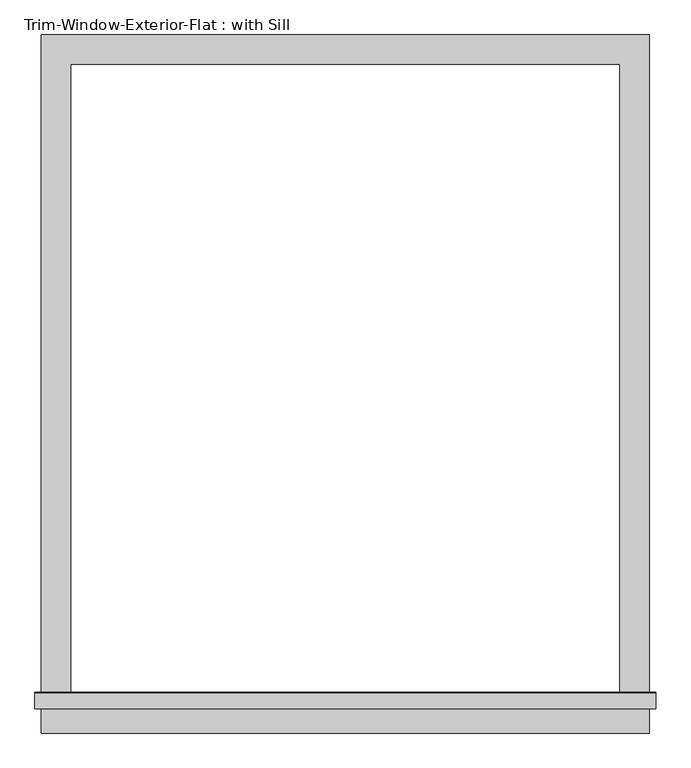
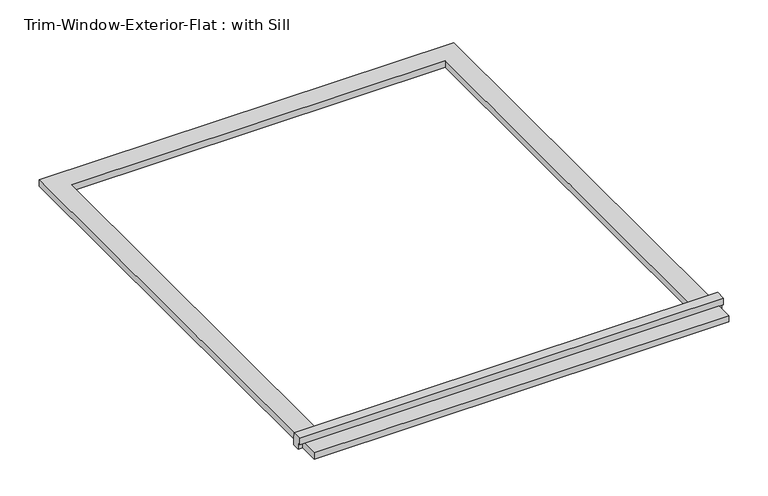
"""IFC4 building model written with IfcOpenShell, lengths in millimetres: proxy geometry, Trim-Window-Exterior-Flat : with Sill."""

from ifc_helpers import new_model, si_unit, frame, origin, origin_with_axes, place, context, project, spatial, polyline, outline, extrude, source, transform, mapped, element, save


def trim_window_exterior_flat_with_sill_245f2bb1(model_context):
    return source(origin(), model_context, "Body", "SweptSolid", [
        extrude(outline(polyline([(590.55, -1241.3823709), (590.55, -1298.5323709), (-590.55, -1298.5323709), (-590.55, -1241.3823709), (590.55, -1241.3823709)])), origin_with_axes(), (0.0, 0.0, 1.0), 19.05),
        extrude(outline(polyline([(-1250.95, 38.1), (-1221.6580645, 38.1), (-1219.2, 19.05), (-1219.2, 0.0), (-1241.3823709, 0.0), (-1241.3823709, 19.05), (-1250.95, 19.05), (-1250.95, 38.1)])), frame((-603.25, 0.0, 0.0), z_axis=(1.0, 0.0, 0.0), x_axis=(0.0, 1.0, 0.0)), (0.0, 0.0, 1.0), 1206.5),
        extrude(outline(polyline([(-590.55, 57.15), (590.55, 57.15), (590.55, -1219.2), (533.4, -1219.2), (533.4, 0.0), (-533.4, 0.0), (-533.4, -1219.2), (-590.55, -1219.2), (-590.55, 57.15)])), origin_with_axes(), (0.0, 0.0, 1.0), 19.05),
    ])


if __name__ == "__main__":
    model = new_model("IFC4")
    model_context = context("Model", 3, world=origin())
    ifc_project = project(units=[si_unit("LENGTHUNIT", "METRE", prefix="MILLI")], contexts=[model_context])
    site = spatial("IfcSite", under=ifc_project)
    building = spatial("IfcBuilding", under=site)
    placement = place(None, origin())
    trim_window_exterior_flat_with_sill_shape = trim_window_exterior_flat_with_sill_245f2bb1(model_context)
    element("IfcBuildingElementProxy", 1, Name="Trim-Window-Exterior-Flat : with Sill", ObjectType="Trim-Window-Exterior-Flat : with Sill", at=placement, inside=building, context=model_context, shape_type="MappedRepresentation", body=[
        mapped(trim_window_exterior_flat_with_sill_shape, transform((0.0, 0.0, 0.0), x_axis=(1.0, 0.0, 0.0), y_axis=(0.0, 1.0, 0.0), z_axis=(0.0, 0.0, 1.0))),
    ])
    save(model, "model.ifc")
